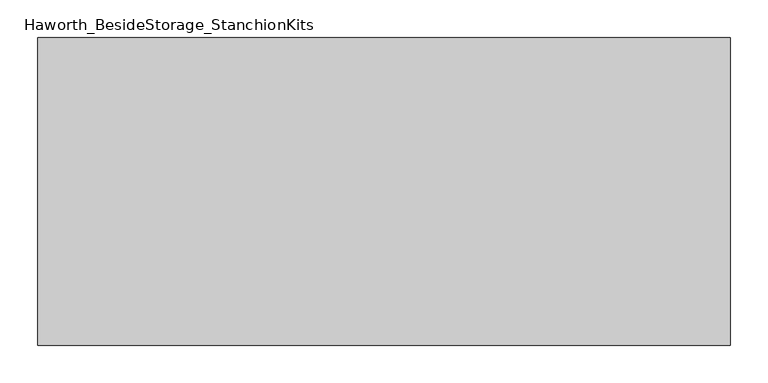
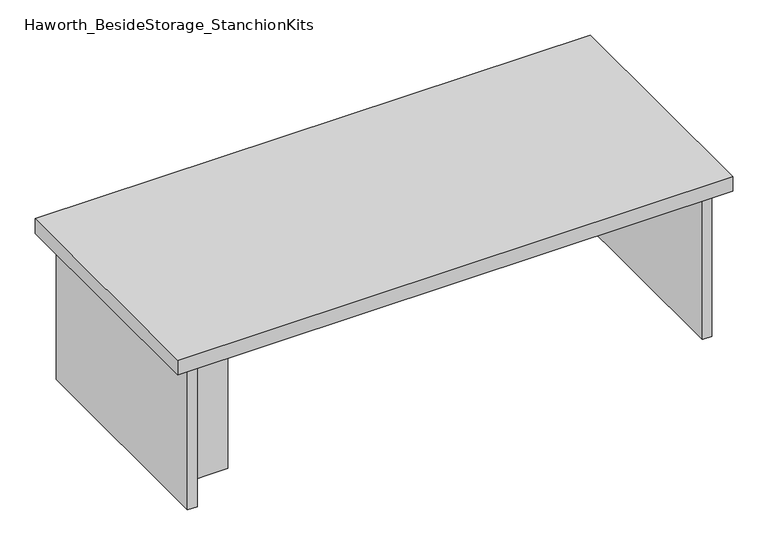
"""IFC4 building model written with IfcOpenShell, lengths in millimetres: furniture geometry, Haworth_BesideStorage_StanchionKits."""

import ifcopenshell
import ifcopenshell.guid

model = None  # the IFC model being written
_history = None  # IfcOwnerHistory: only IFC2X3 demands one
_inside = {}  # id of a spatial element -> (the spatial element, [elements in it])
_under = {}  # id of a project, library or spatial element -> (it, [spatial elements below it])
_declared = {}  # id of a project -> (the project, [libraries it declares])
_typed = {}  # id of a type object -> (the type object, [elements of that type])
_made_of = {}  # id of a material, layer set ... -> (it, [elements and type objects made of it])


def new_model(schema):
    """Start an empty IFC model of exactly this schema.

    Asked for "IFC4X3", IfcOpenShell would pick the latest addendum, in which some entities
    have other attributes; the version numbers below select the first issue.
    IFC2X3 requires an IfcOwnerHistory on every rooted entity: one is made here for all.
    """
    global model, _history
    if schema == "IFC4X3":
        model = ifcopenshell.file(schema_version=(4, 3, 0, 0))
    else:
        model = ifcopenshell.file(schema=schema)
    _inside.clear()
    _under.clear()
    _declared.clear()
    _typed.clear()
    _made_of.clear()
    _history = None
    if model.schema == "IFC2X3":
        org = make("IfcOrganization", Name="unknown")
        user = make(
            "IfcPersonAndOrganization",
            ThePerson=make("IfcPerson", FamilyName="unknown"),
            TheOrganization=org,
        )
        app = make(
            "IfcApplication",
            ApplicationDeveloper=org,
            Version="unknown",
            ApplicationFullName="unknown",
            ApplicationIdentifier="unknown",
        )
        _history = make(
            "IfcOwnerHistory",
            OwningUser=user,
            OwningApplication=app,
            ChangeAction="ADDED",
            CreationDate=0,
        )
    return model


def make(cls, **values):
    """One entity of the class cls with the attributes given. An attribute that is None is left unset."""
    return model.create_entity(
        cls, **{name: value for name, value in values.items() if value is not None}
    )


def rooted(cls, **values):
    """An entity with a GlobalId (a new one), such as an element, a storey or a relation."""
    return make(cls, GlobalId=ifcopenshell.guid.new(), OwnerHistory=_history, **values)


def si_unit(unit_type, name, prefix=None):
    """IfcSIUnit, for example si_unit("LENGTHUNIT", "METRE", prefix="MILLI")."""
    return make("IfcSIUnit", UnitType=unit_type, Prefix=prefix, Name=name)


def assignment(units):
    """IfcUnitAssignment: the units of a project."""
    return None if units is None else make("IfcUnitAssignment", Units=units)


def point(xyz):
    """IfcCartesianPoint."""
    return None if xyz is None else make("IfcCartesianPoint", Coordinates=xyz)


def direction(xyz):
    """IfcDirection."""
    return None if xyz is None else make("IfcDirection", DirectionRatios=xyz)


def frame(location, z_axis=None, x_axis=None):
    """IfcAxis2Placement3D, a coordinate frame: its origin and axes. An axis left out is left unset."""
    return make(
        "IfcAxis2Placement3D",
        Location=point(location),
        Axis=direction(z_axis),
        RefDirection=direction(x_axis),
    )


def origin():
    """The frame at (0, 0, 0) with its axes left unset."""
    return frame((0.0, 0.0, 0.0))


def place(relative_to, where):
    """IfcLocalPlacement: puts the frame where relative to a parent placement (None: the world)."""
    return make(
        "IfcLocalPlacement", PlacementRelTo=relative_to, RelativePlacement=where
    )


def context(
    kind, dimensions, precision=None, world=None, true_north=None, identifier=None
):
    """IfcGeometricRepresentationContext, for example the 3D "Model" context."""
    return make(
        "IfcGeometricRepresentationContext",
        ContextIdentifier=identifier,
        ContextType=kind,
        CoordinateSpaceDimension=dimensions,
        Precision=precision,
        WorldCoordinateSystem=world,
        TrueNorth=true_north,
    )


def project(units=None, contexts=None):
    """IfcProject with its units and contexts."""
    return rooted(
        "IfcProject",
        Name="project",
        RepresentationContexts=contexts,
        UnitsInContext=assignment(units),
    )


def spatial(cls, under=None, at=None, **own):
    """A site, building, storey or space (cls), placed at a placement, below another one or the project."""
    s = rooted(cls, ObjectPlacement=at, **own)
    if under is not None:
        _under.setdefault(under.id(), (under, []))[1].append(s)
    return s


def polyline(points):
    """IfcPolyline through the points."""
    return make("IfcPolyline", Points=[point(p) for p in points])


def outline(outer, holes=None, kind="AREA"):
    """IfcArbitraryClosedProfileDef: a profile drawn as a closed curve; with holes, ...WithVoids."""
    if holes is None:
        return make("IfcArbitraryClosedProfileDef", ProfileType=kind, OuterCurve=outer)
    return make(
        "IfcArbitraryProfileDefWithVoids",
        ProfileType=kind,
        OuterCurve=outer,
        InnerCurves=holes,
    )


def extrude(swept, where, along, depth):
    """IfcExtrudedAreaSolid: the profile swept, set in the frame where, extruded along a direction by depth."""
    return make(
        "IfcExtrudedAreaSolid",
        SweptArea=swept,
        Position=where,
        ExtrudedDirection=direction(along),
        Depth=depth,
    )


def shape(context_of_items, identifier, shape_type, items):
    """IfcShapeRepresentation: the items that make up one representation, for example the "Body"."""
    return make(
        "IfcShapeRepresentation",
        ContextOfItems=context_of_items,
        RepresentationIdentifier=identifier,
        RepresentationType=shape_type,
        Items=items,
    )


def source(mapping_origin, context_of_items, identifier, shape_type, items):
    """IfcRepresentationMap: a shape defined once, which mapped items show again and again."""
    return make(
        "IfcRepresentationMap",
        MappingOrigin=mapping_origin,
        MappedRepresentation=shape(context_of_items, identifier, shape_type, items),
    )


def transform(
    local_origin,
    x_axis=None,
    y_axis=None,
    z_axis=None,
    scale=None,
    scale2=None,
    scale3=None,
    uniform=True,
):
    """IfcCartesianTransformationOperator3D, or its non-uniform kind. x_axis, y_axis, z_axis: its Axis1, 2, 3."""
    if uniform:
        return make(
            "IfcCartesianTransformationOperator3D",
            Axis1=direction(x_axis),
            Axis2=direction(y_axis),
            LocalOrigin=point(local_origin),
            Scale=scale,
            Axis3=direction(z_axis),
        )
    return make(
        "IfcCartesianTransformationOperator3DnonUniform",
        Axis1=direction(x_axis),
        Axis2=direction(y_axis),
        LocalOrigin=point(local_origin),
        Scale=scale,
        Axis3=direction(z_axis),
        Scale2=scale2,
        Scale3=scale3,
    )


def mapped(mapping_source, mapping_target):
    """IfcMappedItem: shows the shape of a source again, moved by a transform."""
    return make(
        "IfcMappedItem", MappingSource=mapping_source, MappingTarget=mapping_target
    )


def made_of(thing, what):
    """Note that an element or type object is made of a material, layer set ...; save() writes the relation."""
    if what is not None:
        _made_of.setdefault(what.id(), (what, []))[1].append(thing)
    return thing


def element(
    cls,
    number,
    at=None,
    inside=None,
    cuts=None,
    type_object=None,
    material=None,
    context=None,
    identifier="Body",
    shape_type=None,
    held_by="IfcProductDefinitionShape",
    body=None,
    shapes=None,
    **own,
):
    """One element of the class cls, such as IfcWall. Its Tag is "e" and its number.

    at: its placement. inside: the storey or other place that contains it. cuts: it is an
    opening in that element (IfcRelVoidsElement). A single representation is given by context,
    identifier, shape_type and body (its items); several are given by shapes. held_by: the class
    of the entity that holds the representations. save() writes the other relations.
    """
    e = rooted(cls, Tag="e%d" % number, ObjectPlacement=at, **own)
    if body is not None:
        shapes = [shape(context, identifier, shape_type, body)]
    if shapes is not None:
        e.Representation = make(held_by, Representations=shapes)
    if inside is not None:
        _inside.setdefault(inside.id(), (inside, []))[1].append(e)
    if cuts is not None:
        rooted(
            "IfcRelVoidsElement", RelatingBuildingElement=cuts, RelatedOpeningElement=e
        )
    if type_object is not None:
        _typed.setdefault(type_object.id(), (type_object, []))[1].append(e)
    return made_of(e, material)


def aggregate(whole, parts):
    """IfcRelAggregates: a whole, such as a stair, and the parts it consists of."""
    return rooted("IfcRelAggregates", RelatingObject=whole, RelatedObjects=parts)


def save(model, path):
    """Write the relations noted so far, then the file.

    IfcRelAggregates (storeys below a building ...), IfcRelContainedInSpatialStructure (elements
    in a storey), IfcRelDefinesByType, IfcRelAssociatesMaterial and IfcRelDeclares: one each for
    every whole, place, type object, material and project.
    """
    for whole, parts in _under.values():
        aggregate(whole, parts)
    for where, things in _inside.values():
        rooted(
            "IfcRelContainedInSpatialStructure",
            RelatedElements=things,
            RelatingStructure=where,
        )
    for kind, things in _typed.values():
        rooted("IfcRelDefinesByType", RelatedObjects=things, RelatingType=kind)
    for what, things in _made_of.values():
        rooted("IfcRelAssociatesMaterial", RelatedObjects=things, RelatingMaterial=what)
    for by, libraries in _declared.values():
        rooted("IfcRelDeclares", RelatingContext=by, RelatedDefinitions=libraries)
    model.write(path)


def haworth_besidestorage_stanchionkits_f68a1c34(model_context):
    return source(origin(), model_context, "Body", "SweptSolid", [
        extrude(outline(polyline([(619.125, 0.0), (619.125, -406.4), (-295.275, -406.4), (-295.275, 0.0), (619.125, 0.0)])), frame((0.0, 0.0, 685.8), z_axis=(0.0, 0.0, 1.0), x_axis=(1.0, 0.0, 0.0)), (0.0, 0.0, 1.0), 25.4),
        extrude(outline(polyline([(492.125, -76.2), (577.85, -76.2), (577.85, -92.075), (492.125, -92.075), (492.125, -76.2)])), frame((0.0, 0.0, 431.8), z_axis=(0.0, 0.0, 1.0), x_axis=(1.0, 0.0, 0.0)), (0.0, 0.0, 1.0), 254.0),
        extrude(outline(polyline([(-168.275, -314.325), (-168.275, -330.2), (-254.0, -330.2), (-254.0, -314.325), (-168.275, -314.325)])), frame((0.0, 0.0, 431.8), z_axis=(0.0, 0.0, 1.0), x_axis=(1.0, 0.0, 0.0)), (0.0, 0.0, 1.0), 254.0),
        extrude(outline(polyline([(593.725, -390.525), (577.85, -390.525), (577.85, -15.875), (593.725, -15.875), (593.725, -390.525)])), frame((0.0, 0.0, 431.8), z_axis=(0.0, 0.0, 1.0), x_axis=(1.0, 0.0, 0.0)), (0.0, 0.0, 1.0), 254.0),
        extrude(outline(polyline([(-254.0, -390.525), (-269.875, -390.525), (-269.875, -15.875), (-254.0, -15.875), (-254.0, -390.525)])), frame((0.0, 0.0, 431.8), z_axis=(0.0, 0.0, 1.0), x_axis=(1.0, 0.0, 0.0)), (0.0, 0.0, 1.0), 254.0),
    ])


if __name__ == "__main__":
    model = new_model("IFC4")
    model_context = context("Model", 3, world=origin())
    ifc_project = project(units=[si_unit("LENGTHUNIT", "METRE", prefix="MILLI")], contexts=[model_context])
    site = spatial("IfcSite", under=ifc_project)
    building = spatial("IfcBuilding", under=site)
    placement = place(None, origin())
    haworth_besidestorage_stanchionkits_shape = haworth_besidestorage_stanchionkits_f68a1c34(model_context)
    element("IfcFurniture", 1, ObjectType="Haworth_BesideStorage_StanchionKits", at=placement, inside=building, context=model_context, shape_type="MappedRepresentation", body=[
        mapped(haworth_besidestorage_stanchionkits_shape, transform((0.0, 0.0, 0.0), x_axis=(1.0, 0.0, 0.0), y_axis=(0.0, 1.0, 0.0), z_axis=(0.0, 0.0, 1.0))),
    ])
    save(model, "model.ifc")
